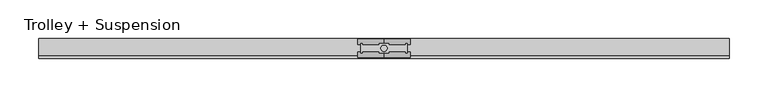
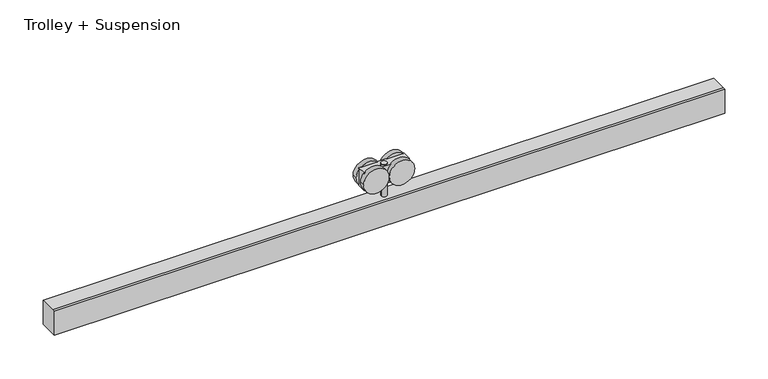
"""IFC4 building model written with IfcOpenShell, lengths in millimetres: proxy geometry, Trolley + Suspension."""

from ifc_helpers import new_model, si_unit, point, frame, frame_2d, origin, origin_2d, place, context, project, spatial, polyline, circle_curve, trimmed, segment, composite_curve, outline, extrude, source, transform, mapped, element, save


def trolley_suspension_a661ceea(model_context):
    return source(origin(), model_context, "Body", "SweptSolid", [
        extrude(outline(composite_curve([segment(trimmed(circle_curve(origin_2d(), 4.0), [point((-4.0, 0.0))], [point((4.0, 0.0))], False, "CARTESIAN"), True, "CONTINUOUS"), segment(trimmed(circle_curve(origin_2d(), 4.0), [point((4.0, 0.0))], [point((-4.0, 0.0))], False, "CARTESIAN"), True, "CONTINUOUS")], self_intersect=False)), frame((0.0, 0.0, 34.0), z_axis=(0.0, 0.0, 1.0), x_axis=(1.0, 0.0, 0.0)), (0.0, 0.0, 1.0), 45.0),
        extrude(outline(polyline([(30.0, 6.0), (30.0, -6.0), (-30.0, -6.0), (-30.0, 6.0), (30.0, 6.0)])), frame((0.0, 0.0, 54.0), z_axis=(0.0, 0.0, 1.0), x_axis=(1.0, 0.0, 0.0)), (0.0, 0.0, 1.0), 25.0),
        extrude(outline(composite_curve([segment(trimmed(circle_curve(frame_2d((66.5, 17.1562807)), 17.0), [point((66.5, 0.1562807))], [point((66.5, 34.1562807))], False, "CARTESIAN"), True, "CONTINUOUS"), segment(trimmed(circle_curve(frame_2d((66.5, 17.1562807)), 17.0), [point((66.5, 34.1562807))], [point((66.5, 0.1562807))], False, "CARTESIAN"), True, "CONTINUOUS")], self_intersect=False)), frame((0.0, -12.0, 0.0), z_axis=(0.0, 1.0, 0.0), x_axis=(0.0, 0.0, 1.0)), (0.0, 0.0, 1.0), 7.0),
        extrude(outline(composite_curve([segment(trimmed(circle_curve(frame_2d((66.5, 17.1562807)), 17.0), [point((66.5, 0.1562807))], [point((66.5, 34.1562807))], False, "CARTESIAN"), True, "CONTINUOUS"), segment(trimmed(circle_curve(frame_2d((66.5, 17.1562807)), 17.0), [point((66.5, 34.1562807))], [point((66.5, 0.1562807))], False, "CARTESIAN"), True, "CONTINUOUS")], self_intersect=False)), frame((0.0, 5.0, 0.0), z_axis=(0.0, 1.0, 0.0), x_axis=(0.0, 0.0, 1.0)), (0.0, 0.0, 1.0), 7.0),
        extrude(outline(composite_curve([segment(trimmed(circle_curve(frame_2d((66.5, -17.2187193)), 17.0), [point((66.5, -34.2187193))], [point((66.5, -0.2187193))], False, "CARTESIAN"), True, "CONTINUOUS"), segment(trimmed(circle_curve(frame_2d((66.5, -17.2187193)), 17.0), [point((66.5, -0.2187193))], [point((66.5, -34.2187193))], False, "CARTESIAN"), True, "CONTINUOUS")], self_intersect=False)), frame((0.0, -12.0, 0.0), z_axis=(0.0, 1.0, 0.0), x_axis=(0.0, 0.0, 1.0)), (0.0, 0.0, 1.0), 7.0),
        extrude(outline(composite_curve([segment(trimmed(circle_curve(frame_2d((66.5, -17.2187193)), 17.0), [point((66.5, -34.2187193))], [point((66.5, -0.2187193))], False, "CARTESIAN"), True, "CONTINUOUS"), segment(trimmed(circle_curve(frame_2d((66.5, -17.2187193)), 17.0), [point((66.5, -0.2187193))], [point((66.5, -34.2187193))], False, "CARTESIAN"), True, "CONTINUOUS")], self_intersect=False)), frame((0.0, 5.0, 0.0), z_axis=(0.0, 1.0, 0.0), x_axis=(0.0, 0.0, 1.0)), (0.0, 0.0, 1.0), 7.0),
        extrude(outline(polyline([(13.0, 34.0), (13.0, 0.0), (-13.0, 0.0), (-13.0, 34.0), (-9.692747, 34.0), (13.0, 34.0)])), frame((-448.0, 0.0, 0.0), z_axis=(1.0, 0.0, 0.0), x_axis=(0.0, 1.0, 0.0)), (0.0, 0.0, 1.0), 896.0),
    ])


if __name__ == "__main__":
    model = new_model("IFC4")
    model_context = context("Model", 3, world=origin())
    ifc_project = project(units=[si_unit("LENGTHUNIT", "METRE", prefix="MILLI")], contexts=[model_context])
    site = spatial("IfcSite", under=ifc_project)
    building = spatial("IfcBuilding", under=site)
    placement = place(None, origin())
    trolley_suspension_shape = trolley_suspension_a661ceea(model_context)
    element("IfcBuildingElementProxy", 1, Name="Trolley + Suspension", ObjectType="Trolley + Suspension", at=placement, inside=building, context=model_context, shape_type="MappedRepresentation", body=[
        mapped(trolley_suspension_shape, transform((0.0, 0.0, 0.0), x_axis=(1.0, 0.0, 0.0), y_axis=(0.0, 1.0, 0.0), z_axis=(0.0, 0.0, 1.0))),
    ])
    save(model, "model.ifc")
